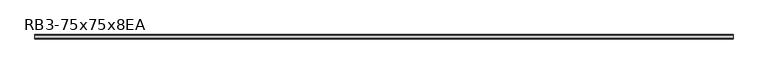
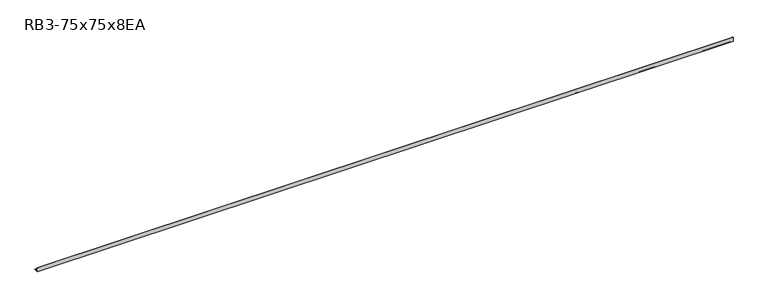
"""IFC4 building model written with IfcOpenShell, lengths in millimetres: member geometry, RB3-75x75x8EA."""

from ifc_helpers import new_model, si_unit, point, frame, frame_2d, origin, place, context, project, spatial, polyline, circle_curve, trimmed, segment, composite_curve, outline, extrude, source, transform, mapped, element, save


def rb3_75x75x8ea_f3b1feb7(model_context):
    return source(origin(), model_context, "Body", "SweptSolid", [
        extrude(outline(composite_curve([segment(polyline([(-21.3, -21.3), (-21.3, 53.7), (-18.3, 53.7)]), True, "CONTINUOUS"), segment(trimmed(circle_curve(frame_2d((-18.3, 48.7)), 5.0), [point((-18.3, 53.7))], [point((-13.3, 48.7))], False, "CARTESIAN"), True, "CONTINUOUS"), segment(polyline([(-13.3, 48.7), (-13.3, -5.3)]), True, "CONTINUOUS"), segment(trimmed(circle_curve(frame_2d((-5.3, -5.3)), 8.0), [point((-13.3, -5.3))], [point((-5.3, -13.3))], True, "CARTESIAN"), True, "CONTINUOUS"), segment(polyline([(-5.3, -13.3), (48.7, -13.3)]), True, "CONTINUOUS"), segment(trimmed(circle_curve(frame_2d((48.7, -18.3)), 5.0), [point((48.7, -13.3))], [point((53.7, -18.3))], False, "CARTESIAN"), True, "CONTINUOUS"), segment(polyline([(53.7, -18.3), (53.7, -21.3), (-21.3, -21.3)]), True, "CONTINUOUS")], self_intersect=False)), frame((-5957.9215861, 0.0, 0.0), z_axis=(1.0, 0.0, 0.0), x_axis=(0.0, 1.0, 0.0)), (0.0, 0.0, 1.0), 12036.9215861),
    ])


if __name__ == "__main__":
    model = new_model("IFC4")
    model_context = context("Model", 3, world=origin())
    ifc_project = project(units=[si_unit("LENGTHUNIT", "METRE", prefix="MILLI")], contexts=[model_context])
    site = spatial("IfcSite", under=ifc_project)
    building = spatial("IfcBuilding", under=site)
    placement = place(None, origin())
    rb3_75x75x8ea_shape = rb3_75x75x8ea_f3b1feb7(model_context)
    element("IfcMember", 1, ObjectType="RB3-75x75x8EA", at=placement, inside=building, context=model_context, shape_type="MappedRepresentation", body=[
        mapped(rb3_75x75x8ea_shape, transform((0.0, 0.0, 0.0), x_axis=(1.0, 0.0, 0.0), y_axis=(0.0, 1.0, 0.0), z_axis=(0.0, 0.0, 1.0))),
    ])
    save(model, "model.ifc")
